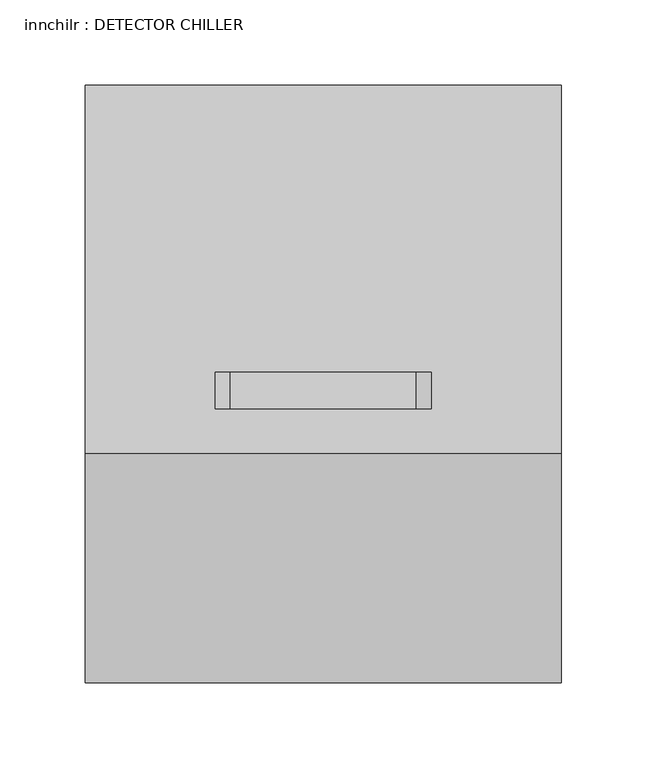
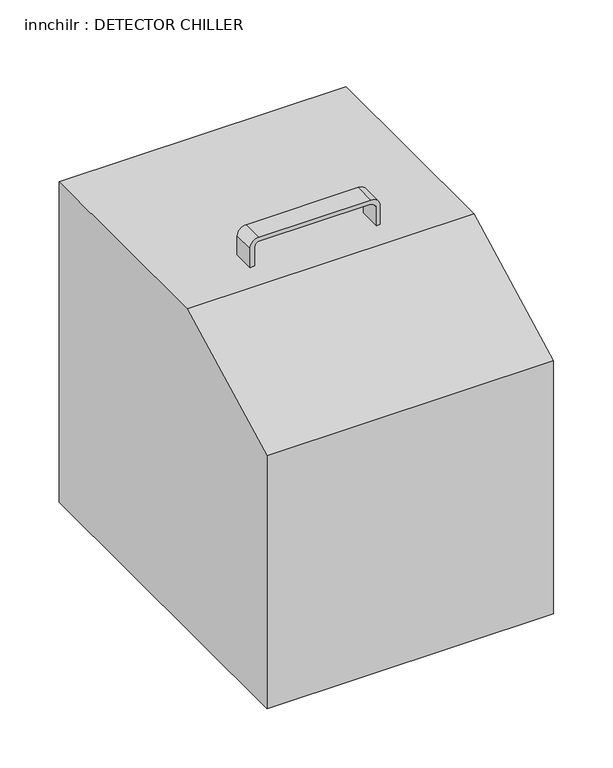
"""IFC4 building model written with IfcOpenShell, lengths in millimetres: proxy geometry, innchilr : DETECTOR CHILLER."""

from ifc_helpers import new_model, si_unit, point, frame, frame_2d, origin, place, context, project, spatial, polyline, circle_curve, trimmed, segment, composite_curve, outline, extrude, source, transform, mapped, element, save


def innchilr_detector_chiller_018d34b1(model_context):
    return source(origin(), model_context, "Body", "SweptSolid", [
        extrude(outline(composite_curve([segment(polyline([(1548.2687015, 1.5627541), (1529.08, 1.5627541), (1529.08, 6.3338761), (1548.743728, 6.3338761)]), True, "CONTINUOUS"), segment(trimmed(circle_curve(frame_2d((1548.743728, 10.9326773)), 4.5988012), [point((1548.743728, 6.3338761))], [point((1553.3104228, 11.4751456))], True, "CARTESIAN"), True, "CONTINUOUS"), segment(polyline([(1553.3104228, 11.4751456), (1553.3104228, 117.8266492)]), True, "CONTINUOUS"), segment(trimmed(circle_curve(frame_2d((1546.0352614, 117.8266492)), 7.2751614), [point((1553.3104228, 117.8266492))], [point((1548.13, 124.7937177))], True, "CARTESIAN"), True, "CONTINUOUS"), segment(polyline([(1548.13, 124.7937177), (1529.08, 124.7937177), (1529.08, 128.5192841), (1548.2687015, 128.5192841)]), True, "CONTINUOUS"), segment(trimmed(circle_curve(frame_2d((1548.2687015, 119.539028)), 8.9802561), [point((1548.2687015, 128.5192841))], [point((1557.2489576, 119.539028))], False, "CARTESIAN"), True, "CONTINUOUS"), segment(polyline([(1557.2489576, 119.539028), (1557.2489576, 10.5430102)]), True, "CONTINUOUS"), segment(trimmed(circle_curve(frame_2d((1548.2687015, 10.5430102)), 8.9802561), [point((1557.2489576, 10.5430102))], [point((1548.2687015, 1.5627541))], False, "CARTESIAN"), True, "CONTINUOUS")], self_intersect=False)), frame((0.0, -98.6188668, 0.0), z_axis=(0.0, 1.0, 0.0), x_axis=(0.0, 0.0, 1.0)), (0.0, 0.0, 1.0), 21.4238299),
        extrude(outline(polyline([(-259.2170561, 1459.23), (-124.5970561, 1529.08), (91.3029439, 1529.08), (91.3029439, 1198.88), (-259.2170561, 1198.88), (-259.2170561, 1459.23)])), frame((-74.6306378, 0.0, 0.0), z_axis=(1.0, 0.0, 0.0), x_axis=(0.0, 1.0, 0.0)), (0.0, 0.0, 1.0), 279.4),
    ])


if __name__ == "__main__":
    model = new_model("IFC4")
    model_context = context("Model", 3, world=origin())
    ifc_project = project(units=[si_unit("LENGTHUNIT", "METRE", prefix="MILLI")], contexts=[model_context])
    site = spatial("IfcSite", under=ifc_project)
    building = spatial("IfcBuilding", under=site)
    placement = place(None, origin())
    innchilr_detector_chiller_shape = innchilr_detector_chiller_018d34b1(model_context)
    element("IfcBuildingElementProxy", 1, Name="innchilr : DETECTOR CHILLER", ObjectType="innchilr : DETECTOR CHILLER", at=placement, inside=building, context=model_context, shape_type="MappedRepresentation", body=[
        mapped(innchilr_detector_chiller_shape, transform((0.0, 0.0, 0.0), x_axis=(1.0, 0.0, 0.0), y_axis=(0.0, 1.0, 0.0), z_axis=(0.0, 0.0, 1.0))),
    ])
    save(model, "model.ifc")
